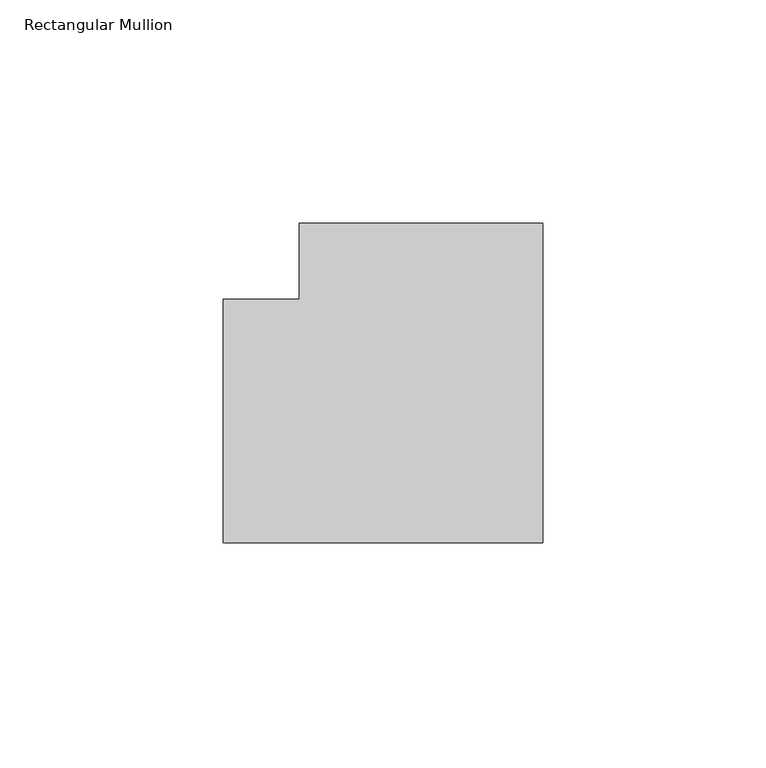
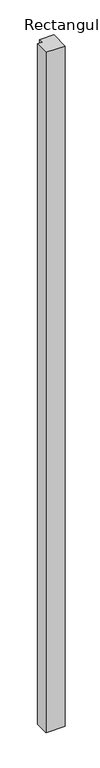
"""IFC4 building model written with IfcOpenShell, lengths in millimetres: member geometry, Rectangular Mullion."""

from ifc_helpers import new_model, si_unit, frame, origin, place, context, project, spatial, polyline, outline, extrude, source, transform, mapped, element, save


def rectangular_mullion_9ca9c273(model_context):
    return source(origin(), model_context, "Body", "SweptSolid", [
        extrude(outline(polyline([(0.0, 44.4), (0.0, -27.1), (-71.5, -27.1), (-71.5, 27.4), (-54.5, 27.4), (-54.5, 44.4), (0.0, 44.4)])), frame((0.0, 0.0, -2658.0), z_axis=(0.0, 0.0, 1.0), x_axis=(1.0, 0.0, 0.0)), (0.0, 0.0, 1.0), 2658.0),
    ])


if __name__ == "__main__":
    model = new_model("IFC4")
    model_context = context("Model", 3, world=origin())
    ifc_project = project(units=[si_unit("LENGTHUNIT", "METRE", prefix="MILLI")], contexts=[model_context])
    site = spatial("IfcSite", under=ifc_project)
    building = spatial("IfcBuilding", under=site)
    placement = place(None, origin())
    rectangular_mullion_shape = rectangular_mullion_9ca9c273(model_context)
    element("IfcMember", 1, ObjectType="Rectangular Mullion", at=placement, inside=building, context=model_context, shape_type="MappedRepresentation", body=[
        mapped(rectangular_mullion_shape, transform((0.0, 0.0, 0.0), x_axis=(1.0, 0.0, 0.0), y_axis=(0.0, 1.0, 0.0), z_axis=(0.0, 0.0, 1.0))),
    ])
    save(model, "model.ifc")
